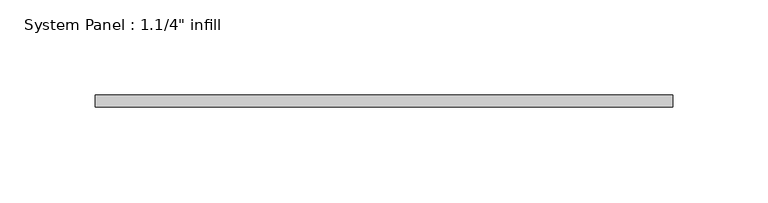
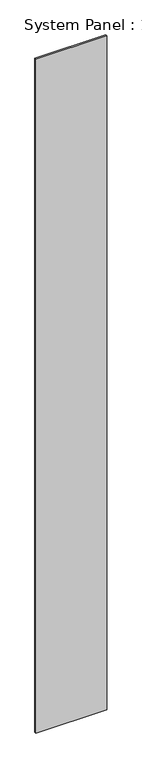
"""IFC4 building model written with IfcOpenShell, lengths in millimetres: plate geometry."""

from ifc_helpers import new_model, si_unit, origin, origin_with_axes, place, context, project, spatial, polyline, outline, extrude, source, transform, mapped, element, save


def plate_b109a59d(model_context):
    return source(origin(), model_context, "Body", "SweptSolid", [
        extrude(outline(polyline([(151.7716184, -6.2507813), (-151.7716184, -6.2507813), (-151.7716184, 0.0992187), (151.7716184, 0.0992187), (151.7716184, -6.2507813)])), origin_with_axes(), (0.0, 0.0, 1.0), 3048.0),
    ])


if __name__ == "__main__":
    model = new_model("IFC4")
    model_context = context("Model", 3, world=origin())
    ifc_project = project(units=[si_unit("LENGTHUNIT", "METRE", prefix="MILLI")], contexts=[model_context])
    site = spatial("IfcSite", under=ifc_project)
    building = spatial("IfcBuilding", under=site)
    placement = place(None, origin())
    plate_shape = plate_b109a59d(model_context)
    element("IfcPlate", 1, ObjectType="System Panel : 1.1/4\" infill", at=placement, inside=building, context=model_context, shape_type="MappedRepresentation", body=[
        mapped(plate_shape, transform((0.0, 0.0, 0.0), x_axis=(1.0, 0.0, 0.0), y_axis=(0.0, 1.0, 0.0), z_axis=(0.0, 0.0, 1.0))),
    ])
    save(model, "model.ifc")
